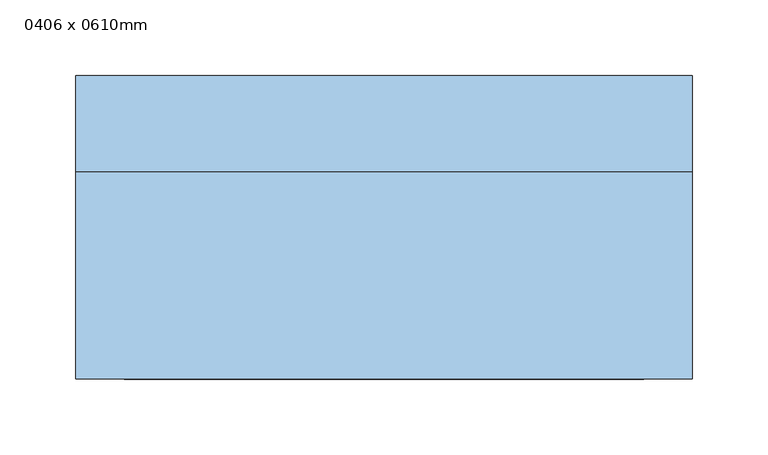
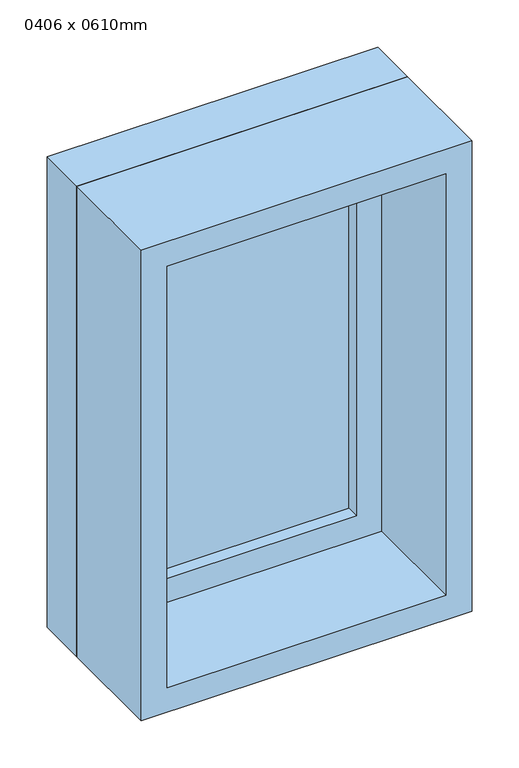
"""IFC4 building model written with IfcOpenShell, lengths in millimetres: window geometry, 0406 x 0610mm."""

import ifcopenshell
import ifcopenshell.guid

model = None  # the IFC model being written
_history = None  # IfcOwnerHistory: only IFC2X3 demands one
_inside = {}  # id of a spatial element -> (the spatial element, [elements in it])
_under = {}  # id of a project, library or spatial element -> (it, [spatial elements below it])
_declared = {}  # id of a project -> (the project, [libraries it declares])
_typed = {}  # id of a type object -> (the type object, [elements of that type])
_made_of = {}  # id of a material, layer set ... -> (it, [elements and type objects made of it])


def new_model(schema):
    """Start an empty IFC model of exactly this schema.

    Asked for "IFC4X3", IfcOpenShell would pick the latest addendum, in which some entities
    have other attributes; the version numbers below select the first issue.
    IFC2X3 requires an IfcOwnerHistory on every rooted entity: one is made here for all.
    """
    global model, _history
    if schema == "IFC4X3":
        model = ifcopenshell.file(schema_version=(4, 3, 0, 0))
    else:
        model = ifcopenshell.file(schema=schema)
    _inside.clear()
    _under.clear()
    _declared.clear()
    _typed.clear()
    _made_of.clear()
    _history = None
    if model.schema == "IFC2X3":
        org = make("IfcOrganization", Name="unknown")
        user = make(
            "IfcPersonAndOrganization",
            ThePerson=make("IfcPerson", FamilyName="unknown"),
            TheOrganization=org,
        )
        app = make(
            "IfcApplication",
            ApplicationDeveloper=org,
            Version="unknown",
            ApplicationFullName="unknown",
            ApplicationIdentifier="unknown",
        )
        _history = make(
            "IfcOwnerHistory",
            OwningUser=user,
            OwningApplication=app,
            ChangeAction="ADDED",
            CreationDate=0,
        )
    return model


def make(cls, **values):
    """One entity of the class cls with the attributes given. An attribute that is None is left unset."""
    return model.create_entity(
        cls, **{name: value for name, value in values.items() if value is not None}
    )


def rooted(cls, **values):
    """An entity with a GlobalId (a new one), such as an element, a storey or a relation."""
    return make(cls, GlobalId=ifcopenshell.guid.new(), OwnerHistory=_history, **values)


def si_unit(unit_type, name, prefix=None):
    """IfcSIUnit, for example si_unit("LENGTHUNIT", "METRE", prefix="MILLI")."""
    return make("IfcSIUnit", UnitType=unit_type, Prefix=prefix, Name=name)


def assignment(units):
    """IfcUnitAssignment: the units of a project."""
    return None if units is None else make("IfcUnitAssignment", Units=units)


def point(xyz):
    """IfcCartesianPoint."""
    return None if xyz is None else make("IfcCartesianPoint", Coordinates=xyz)


def direction(xyz):
    """IfcDirection."""
    return None if xyz is None else make("IfcDirection", DirectionRatios=xyz)


def frame(location, z_axis=None, x_axis=None):
    """IfcAxis2Placement3D, a coordinate frame: its origin and axes. An axis left out is left unset."""
    return make(
        "IfcAxis2Placement3D",
        Location=point(location),
        Axis=direction(z_axis),
        RefDirection=direction(x_axis),
    )


def origin():
    """The frame at (0, 0, 0) with its axes left unset."""
    return frame((0.0, 0.0, 0.0))


def place(relative_to, where):
    """IfcLocalPlacement: puts the frame where relative to a parent placement (None: the world)."""
    return make(
        "IfcLocalPlacement", PlacementRelTo=relative_to, RelativePlacement=where
    )


def context(
    kind, dimensions, precision=None, world=None, true_north=None, identifier=None
):
    """IfcGeometricRepresentationContext, for example the 3D "Model" context."""
    return make(
        "IfcGeometricRepresentationContext",
        ContextIdentifier=identifier,
        ContextType=kind,
        CoordinateSpaceDimension=dimensions,
        Precision=precision,
        WorldCoordinateSystem=world,
        TrueNorth=true_north,
    )


def project(units=None, contexts=None):
    """IfcProject with its units and contexts."""
    return rooted(
        "IfcProject",
        Name="project",
        RepresentationContexts=contexts,
        UnitsInContext=assignment(units),
    )


def spatial(cls, under=None, at=None, **own):
    """A site, building, storey or space (cls), placed at a placement, below another one or the project."""
    s = rooted(cls, ObjectPlacement=at, **own)
    if under is not None:
        _under.setdefault(under.id(), (under, []))[1].append(s)
    return s


def polyline(points):
    """IfcPolyline through the points."""
    return make("IfcPolyline", Points=[point(p) for p in points])


def outline(outer, holes=None, kind="AREA"):
    """IfcArbitraryClosedProfileDef: a profile drawn as a closed curve; with holes, ...WithVoids."""
    if holes is None:
        return make("IfcArbitraryClosedProfileDef", ProfileType=kind, OuterCurve=outer)
    return make(
        "IfcArbitraryProfileDefWithVoids",
        ProfileType=kind,
        OuterCurve=outer,
        InnerCurves=holes,
    )


def extrude(swept, where, along, depth):
    """IfcExtrudedAreaSolid: the profile swept, set in the frame where, extruded along a direction by depth."""
    return make(
        "IfcExtrudedAreaSolid",
        SweptArea=swept,
        Position=where,
        ExtrudedDirection=direction(along),
        Depth=depth,
    )


def shape(context_of_items, identifier, shape_type, items):
    """IfcShapeRepresentation: the items that make up one representation, for example the "Body"."""
    return make(
        "IfcShapeRepresentation",
        ContextOfItems=context_of_items,
        RepresentationIdentifier=identifier,
        RepresentationType=shape_type,
        Items=items,
    )


def source(mapping_origin, context_of_items, identifier, shape_type, items):
    """IfcRepresentationMap: a shape defined once, which mapped items show again and again."""
    return make(
        "IfcRepresentationMap",
        MappingOrigin=mapping_origin,
        MappedRepresentation=shape(context_of_items, identifier, shape_type, items),
    )


def transform(
    local_origin,
    x_axis=None,
    y_axis=None,
    z_axis=None,
    scale=None,
    scale2=None,
    scale3=None,
    uniform=True,
):
    """IfcCartesianTransformationOperator3D, or its non-uniform kind. x_axis, y_axis, z_axis: its Axis1, 2, 3."""
    if uniform:
        return make(
            "IfcCartesianTransformationOperator3D",
            Axis1=direction(x_axis),
            Axis2=direction(y_axis),
            LocalOrigin=point(local_origin),
            Scale=scale,
            Axis3=direction(z_axis),
        )
    return make(
        "IfcCartesianTransformationOperator3DnonUniform",
        Axis1=direction(x_axis),
        Axis2=direction(y_axis),
        LocalOrigin=point(local_origin),
        Scale=scale,
        Axis3=direction(z_axis),
        Scale2=scale2,
        Scale3=scale3,
    )


def mapped(mapping_source, mapping_target):
    """IfcMappedItem: shows the shape of a source again, moved by a transform."""
    return make(
        "IfcMappedItem", MappingSource=mapping_source, MappingTarget=mapping_target
    )


def made_of(thing, what):
    """Note that an element or type object is made of a material, layer set ...; save() writes the relation."""
    if what is not None:
        _made_of.setdefault(what.id(), (what, []))[1].append(thing)
    return thing


def element(
    cls,
    number,
    at=None,
    inside=None,
    cuts=None,
    type_object=None,
    material=None,
    context=None,
    identifier="Body",
    shape_type=None,
    held_by="IfcProductDefinitionShape",
    body=None,
    shapes=None,
    **own,
):
    """One element of the class cls, such as IfcWall. Its Tag is "e" and its number.

    at: its placement. inside: the storey or other place that contains it. cuts: it is an
    opening in that element (IfcRelVoidsElement). A single representation is given by context,
    identifier, shape_type and body (its items); several are given by shapes. held_by: the class
    of the entity that holds the representations. save() writes the other relations.
    """
    e = rooted(cls, Tag="e%d" % number, ObjectPlacement=at, **own)
    if body is not None:
        shapes = [shape(context, identifier, shape_type, body)]
    if shapes is not None:
        e.Representation = make(held_by, Representations=shapes)
    if inside is not None:
        _inside.setdefault(inside.id(), (inside, []))[1].append(e)
    if cuts is not None:
        rooted(
            "IfcRelVoidsElement", RelatingBuildingElement=cuts, RelatedOpeningElement=e
        )
    if type_object is not None:
        _typed.setdefault(type_object.id(), (type_object, []))[1].append(e)
    return made_of(e, material)


def aggregate(whole, parts):
    """IfcRelAggregates: a whole, such as a stair, and the parts it consists of."""
    return rooted("IfcRelAggregates", RelatingObject=whole, RelatedObjects=parts)


def save(model, path):
    """Write the relations noted so far, then the file.

    IfcRelAggregates (storeys below a building ...), IfcRelContainedInSpatialStructure (elements
    in a storey), IfcRelDefinesByType, IfcRelAssociatesMaterial and IfcRelDeclares: one each for
    every whole, place, type object, material and project.
    """
    for whole, parts in _under.values():
        aggregate(whole, parts)
    for where, things in _inside.values():
        rooted(
            "IfcRelContainedInSpatialStructure",
            RelatedElements=things,
            RelatingStructure=where,
        )
    for kind, things in _typed.values():
        rooted("IfcRelDefinesByType", RelatedObjects=things, RelatingType=kind)
    for what, things in _made_of.values():
        rooted("IfcRelAssociatesMaterial", RelatedObjects=things, RelatingMaterial=what)
    for by, libraries in _declared.values():
        rooted("IfcRelDeclares", RelatingContext=by, RelatedDefinitions=libraries)
    model.write(path)


def window_0406_x_0610mm_8205b201(model_context):
    return source(origin(), model_context, "Body", "SweptSolid", [
        extrude(outline(polyline([(-140.0, 78.0), (140.0, 78.0), (140.0, 66.0), (-140.0, 66.0), (-140.0, 78.0)])), frame((0.0, 0.0, 978.0), z_axis=(0.0, 0.0, 1.0), x_axis=(1.0, 0.0, 0.0)), (0.0, 0.0, 1.0), 484.0),
        extrude(outline(polyline([(1506.0, -184.0), (934.0, -184.0), (934.0, 184.0), (1506.0, 184.0), (1506.0, -184.0)]), holes=[polyline([(1462.0, -140.0), (1462.0, 140.0), (978.0, 140.0), (978.0, -140.0), (1462.0, -140.0)])]), frame((0.0, 50.0, 0.0), z_axis=(0.0, 1.0, 0.0), x_axis=(0.0, 0.0, 1.0)), (0.0, 0.0, 1.0), 44.0),
        extrude(outline(polyline([(1525.0, -203.0), (915.0, -203.0), (915.0, 203.0), (1525.0, 203.0), (1525.0, -203.0)]), holes=[polyline([(1506.0, -184.0), (1506.0, 184.0), (934.0, 184.0), (934.0, -184.0), (1506.0, -184.0)])]), frame((0.0, 50.0, 0.0), z_axis=(0.0, 1.0, 0.0), x_axis=(0.0, 0.0, 1.0)), (0.0, 0.0, 1.0), 63.0),
        extrude(outline(polyline([(1525.0, -203.0), (915.0, -203.0), (915.0, 203.0), (1525.0, 203.0), (1525.0, -203.0)]), holes=[polyline([(1493.0, -171.0), (1493.0, 171.0), (947.0, 171.0), (947.0, -171.0), (1493.0, -171.0)])]), frame((0.0, -87.0, 0.0), z_axis=(0.0, 1.0, 0.0), x_axis=(0.0, 0.0, 1.0)), (0.0, 0.0, 1.0), 137.0),
    ])


if __name__ == "__main__":
    model = new_model("IFC4")
    model_context = context("Model", 3, world=origin())
    ifc_project = project(units=[si_unit("LENGTHUNIT", "METRE", prefix="MILLI")], contexts=[model_context])
    site = spatial("IfcSite", under=ifc_project)
    building = spatial("IfcBuilding", under=site)
    placement = place(None, origin())
    window_0406_x_0610mm_shape = window_0406_x_0610mm_8205b201(model_context)
    element("IfcWindow", 1, ObjectType="0406 x 0610mm", at=placement, inside=building, context=model_context, shape_type="MappedRepresentation", body=[
        mapped(window_0406_x_0610mm_shape, transform((0.0, 0.0, 0.0), x_axis=(1.0, 0.0, 0.0), y_axis=(0.0, 1.0, 0.0), z_axis=(0.0, 0.0, 1.0))),
    ])
    save(model, "model.ifc")
